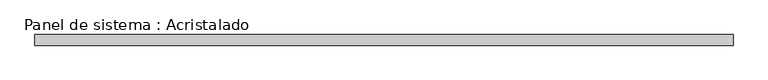
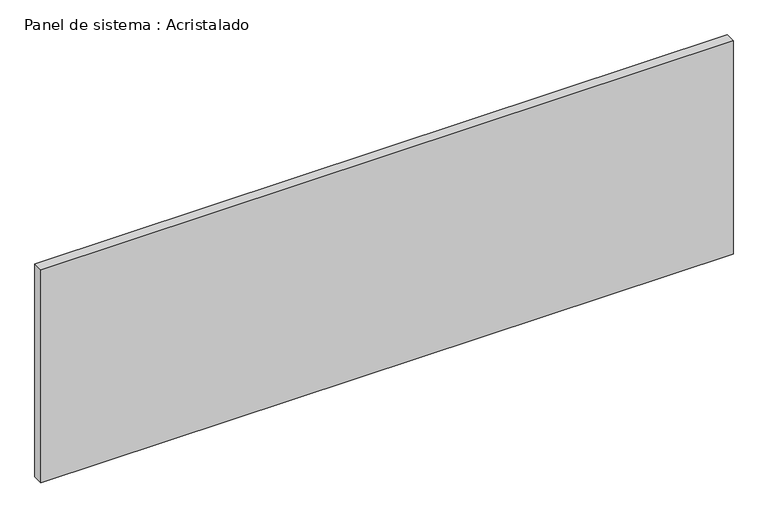
"""IFC4 building model written with IfcOpenShell, lengths in millimetres: plate geometry, Panel de sistema : Acristalado."""

from ifc_helpers import new_model, si_unit, origin, origin_with_axes, place, context, project, spatial, polyline, outline, extrude, source, transform, mapped, element, save


def panel_de_sistema_acristalado_f3613cd9(model_context):
    return source(origin(), model_context, "Body", "SweptSolid", [
        extrude(outline(polyline([(658.3504807, -10.0), (-658.3504807, -10.0), (-658.3504807, 10.0), (658.3504807, 10.0), (658.3504807, -10.0)])), origin_with_axes(), (0.0, 0.0, 1.0), 429.0),
    ])


if __name__ == "__main__":
    model = new_model("IFC4")
    model_context = context("Model", 3, world=origin())
    ifc_project = project(units=[si_unit("LENGTHUNIT", "METRE", prefix="MILLI")], contexts=[model_context])
    site = spatial("IfcSite", under=ifc_project)
    building = spatial("IfcBuilding", under=site)
    placement = place(None, origin())
    panel_de_sistema_acristalado_shape = panel_de_sistema_acristalado_f3613cd9(model_context)
    element("IfcPlate", 1, ObjectType="Panel de sistema : Acristalado", at=placement, inside=building, context=model_context, shape_type="MappedRepresentation", body=[
        mapped(panel_de_sistema_acristalado_shape, transform((0.0, 0.0, 0.0), x_axis=(1.0, 0.0, 0.0), y_axis=(0.0, 1.0, 0.0), z_axis=(0.0, 0.0, 1.0))),
    ])
    save(model, "model.ifc")
